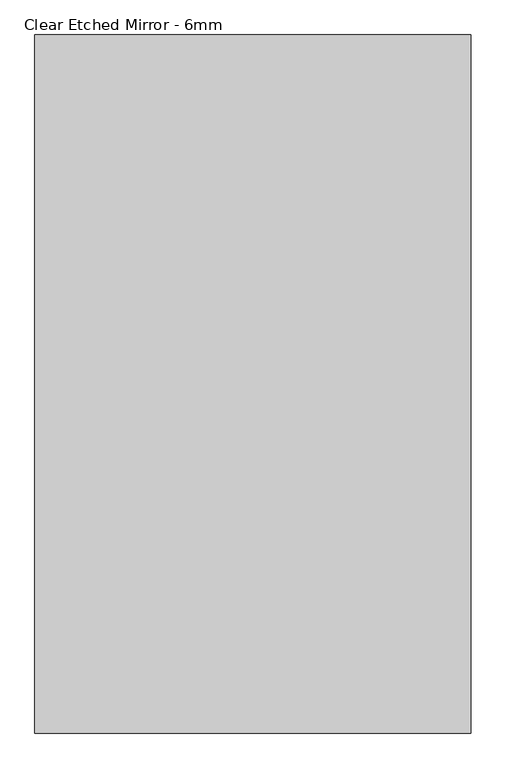
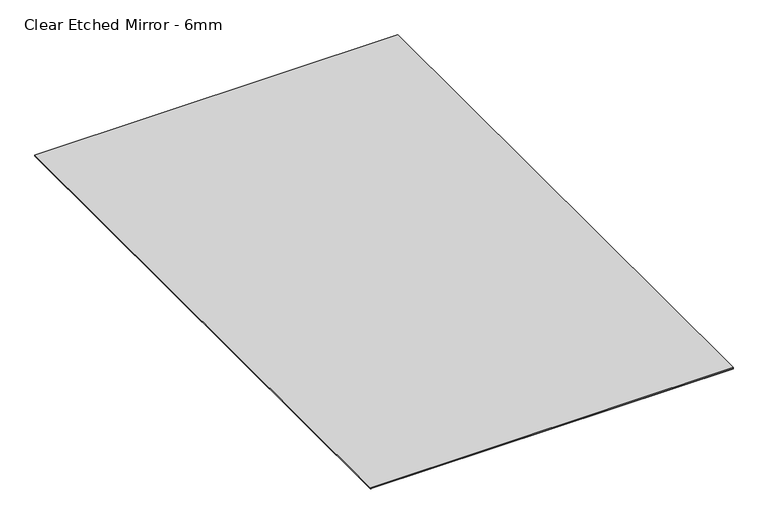
"""IFC4 building model written with IfcOpenShell, lengths in millimetres: proxy geometry, Clear Etched Mirror - 6mm."""

from ifc_helpers import new_model, si_unit, frame, origin, origin_with_axes, place, context, project, spatial, polyline, outline, extrude, source, transform, mapped, element, save


def clear_etched_mirror_6mm_dc94014f(model_context):
    return source(origin(), model_context, "Body", "SweptSolid", [
        extrude(outline(polyline([(762.0, -1219.2), (-762.0, -1219.2), (-762.0, 1219.2), (762.0, 1219.2), (762.0, -1219.2)])), frame((0.0, 0.0, 1.984375), z_axis=(0.0, 0.0, 1.0), x_axis=(1.0, 0.0, 0.0)), (0.0, 0.0, 1.0), 3.96875),
        extrude(outline(polyline([(762.0, 1219.2), (762.0, -1219.2), (-762.0, -1219.2), (-762.0, 1219.2), (762.0, 1219.2)])), origin_with_axes(), (0.0, 0.0, 1.0), 1.984375),
    ])


if __name__ == "__main__":
    model = new_model("IFC4")
    model_context = context("Model", 3, world=origin())
    ifc_project = project(units=[si_unit("LENGTHUNIT", "METRE", prefix="MILLI")], contexts=[model_context])
    site = spatial("IfcSite", under=ifc_project)
    building = spatial("IfcBuilding", under=site)
    placement = place(None, origin())
    clear_etched_mirror_6mm_shape = clear_etched_mirror_6mm_dc94014f(model_context)
    element("IfcBuildingElementProxy", 1, Name="Clear Etched Mirror - 6mm", ObjectType="Clear Etched Mirror - 6mm", at=placement, inside=building, context=model_context, shape_type="MappedRepresentation", body=[
        mapped(clear_etched_mirror_6mm_shape, transform((0.0, 0.0, 0.0), x_axis=(1.0, 0.0, 0.0), y_axis=(0.0, 1.0, 0.0), z_axis=(0.0, 0.0, 1.0))),
    ])
    save(model, "model.ifc")
